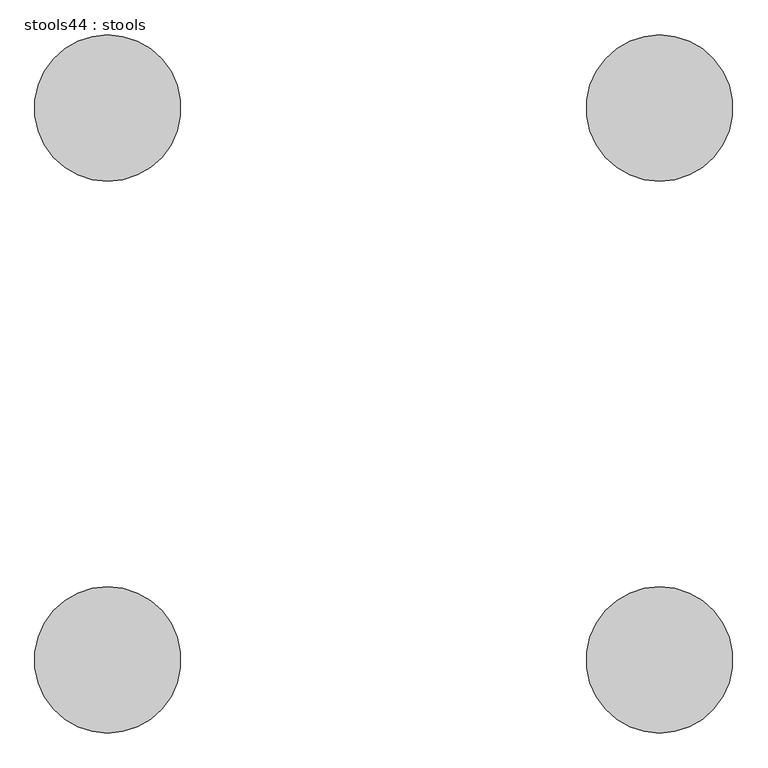
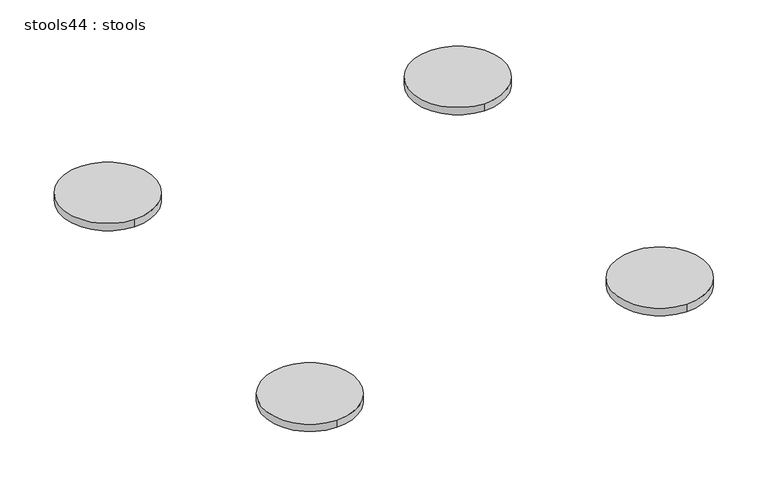
"""IFC4 building model written with IfcOpenShell, lengths in millimetres: furniture geometry, stools44 : stools."""

from ifc_helpers import new_model, si_unit, point, frame, frame_2d, origin, place, context, project, spatial, circle_curve, trimmed, segment, composite_curve, outline, extrude, source, transform, mapped, element, save


def stools44_stools_02f09a29(model_context):
    return source(origin(), model_context, "Body", "SweptSolid", [
        extrude(outline(composite_curve([segment(trimmed(circle_curve(frame_2d((-232882.661225, -37327.3814083)), 152.4), [point((-232882.661225, -37174.9814083))], [point((-232882.661225, -37479.7814083))], False, "CARTESIAN"), True, "CONTINUOUS"), segment(trimmed(circle_curve(frame_2d((-232882.661225, -37327.3814083)), 152.4), [point((-232882.661225, -37479.7814083))], [point((-232882.661225, -37174.9814083))], False, "CARTESIAN"), True, "CONTINUOUS")], self_intersect=False)), frame((0.0, 0.0, 457.2), z_axis=(0.0, 0.0, 1.0), x_axis=(1.0, 0.0, 0.0)), (0.0, 0.0, 1.0), 25.4),
        extrude(outline(composite_curve([segment(trimmed(circle_curve(frame_2d((-234032.1340085, -37327.3814083)), 152.4), [point((-234032.1340085, -37174.9814083))], [point((-234032.1340085, -37479.7814083))], False, "CARTESIAN"), True, "CONTINUOUS"), segment(trimmed(circle_curve(frame_2d((-234032.1340085, -37327.3814083)), 152.4), [point((-234032.1340085, -37479.7814083))], [point((-234032.1340085, -37174.9814083))], False, "CARTESIAN"), True, "CONTINUOUS")], self_intersect=False)), frame((0.0, 0.0, 457.2), z_axis=(0.0, 0.0, 1.0), x_axis=(1.0, 0.0, 0.0)), (0.0, 0.0, 1.0), 25.4),
        extrude(outline(composite_curve([segment(trimmed(circle_curve(frame_2d((-232882.661225, -36177.9086249)), 152.4), [point((-232882.661225, -36330.3086249))], [point((-232882.661225, -36025.5086249))], False, "CARTESIAN"), True, "CONTINUOUS"), segment(trimmed(circle_curve(frame_2d((-232882.661225, -36177.9086249)), 152.4), [point((-232882.661225, -36025.5086249))], [point((-232882.661225, -36330.3086249))], False, "CARTESIAN"), True, "CONTINUOUS")], self_intersect=False)), frame((0.0, 0.0, 457.2), z_axis=(0.0, 0.0, 1.0), x_axis=(1.0, 0.0, 0.0)), (0.0, 0.0, 1.0), 25.4),
        extrude(outline(composite_curve([segment(trimmed(circle_curve(frame_2d((-234032.1340085, -36177.9086249)), 152.4), [point((-234032.1340085, -36330.3086249))], [point((-234032.1340085, -36025.5086249))], False, "CARTESIAN"), True, "CONTINUOUS"), segment(trimmed(circle_curve(frame_2d((-234032.1340085, -36177.9086249)), 152.4), [point((-234032.1340085, -36025.5086249))], [point((-234032.1340085, -36330.3086249))], False, "CARTESIAN"), True, "CONTINUOUS")], self_intersect=False)), frame((0.0, 0.0, 457.2), z_axis=(0.0, 0.0, 1.0), x_axis=(1.0, 0.0, 0.0)), (0.0, 0.0, 1.0), 25.4),
    ])


if __name__ == "__main__":
    model = new_model("IFC4")
    model_context = context("Model", 3, world=origin())
    ifc_project = project(units=[si_unit("LENGTHUNIT", "METRE", prefix="MILLI")], contexts=[model_context])
    site = spatial("IfcSite", under=ifc_project)
    building = spatial("IfcBuilding", under=site)
    placement = place(None, origin())
    stools44_stools_shape = stools44_stools_02f09a29(model_context)
    element("IfcFurniture", 1, ObjectType="stools44 : stools", at=placement, inside=building, context=model_context, shape_type="MappedRepresentation", body=[
        mapped(stools44_stools_shape, transform((0.0, 0.0, 0.0), x_axis=(1.0, 0.0, 0.0), y_axis=(0.0, 1.0, 0.0), z_axis=(0.0, 0.0, 1.0))),
    ])
    save(model, "model.ifc")
